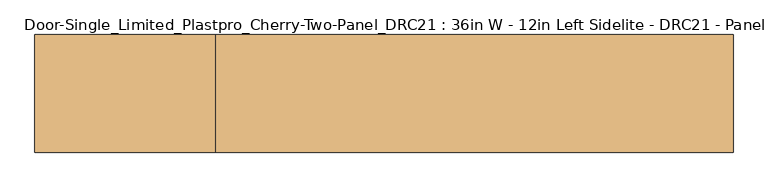
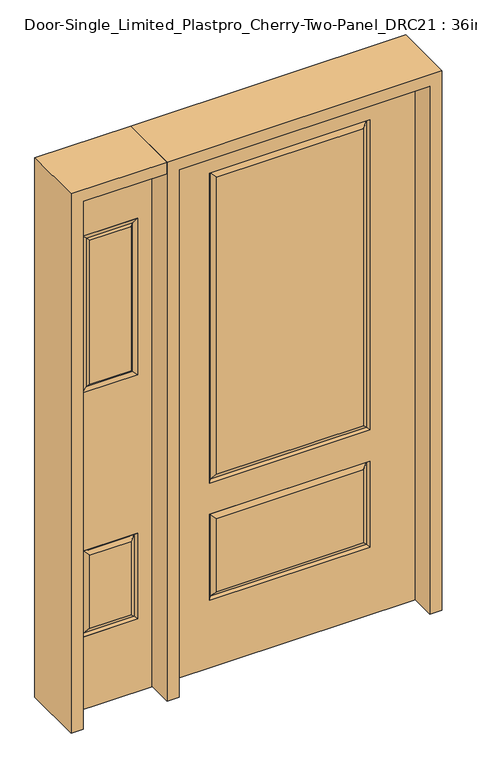
"""IFC4 building model written with IfcOpenShell, lengths in millimetres: door geometry, Door-Single_Limited_Plastpro_Cherry-Two-Panel_DRC21 : 36in W - 12in Left Sidelite - DRC21 - Panel - 80in."""

from ifc_helpers import new_model, si_unit, frame, origin, place, context, project, spatial, polyline, outline, extrude, faceted_brep, source, transform, mapped, element, save


def door_single_limited_plastpro_cherry_two_panel_drc21_36in_w_bb933965(model_context):
    return source(origin(), model_context, "Body", "SolidModel", [
        faceted_brep([(457.2, 22.225, 0.0), (457.2, -22.225, 0.0), (-457.2, -22.225, 0.0), (-457.2, 22.225, 0.0), (457.2, 22.225, 2032.0), (457.2, -22.225, 2032.0), (-267.49375, -22.225, 284.95625), (267.49375, -22.225, 284.95625), (267.49375, -22.225, 565.94375), (-267.49375, -22.225, 565.94375), (-267.49375, -22.225, 735.80625), (267.49375, -22.225, 735.80625), (267.49375, -22.225, 1880.39375), (-267.49375, -22.225, 1880.39375), (-457.2, -22.225, 2032.0), (292.1, -22.225, 711.2), (-292.1, -22.225, 711.2), (-292.1, -22.225, 1905.0), (292.1, -22.225, 1905.0), (292.1, -22.225, 260.35), (-292.1, -22.225, 260.35), (-292.1, -22.225, 590.55), (292.1, -22.225, 590.55), (-457.2, 22.225, 2032.0), (267.49375, 22.225, 284.95625), (-267.49375, 22.225, 284.95625), (-267.49375, 22.225, 565.94375), (267.49375, 22.225, 565.94375), (267.49375, 22.225, 735.80625), (-267.49375, 22.225, 735.80625), (-267.49375, 22.225, 1880.39375), (267.49375, 22.225, 1880.39375), (-292.1, 22.225, 711.2), (292.1, 22.225, 711.2), (292.1, 22.225, 1905.0), (-292.1, 22.225, 1905.0), (-292.1, 22.225, 260.35), (292.1, 22.225, 260.35), (292.1, 22.225, 590.55), (-292.1, 22.225, 590.55), (-284.9911499, 12.7912373, 267.4588501), (284.9911499, 12.7912373, 267.4588501), (284.9911499, 12.7912373, 583.4411499), (-284.9911499, 12.7912373, 583.4411499), (-284.9911499, 12.7912373, 718.3088501), (284.9911499, 12.7912373, 718.3088501), (284.9911499, 12.7912373, 1897.8911499), (-284.9911499, 12.7912373, 1897.8911499), (284.9911499, -12.7912373, 267.4588501), (-284.9911499, -12.7912373, 267.4588501), (-284.9911499, -12.7912373, 583.4411499), (284.9911499, -12.7912373, 583.4411499), (284.9911499, -12.7912373, 718.3088501), (-284.9911499, -12.7912373, 718.3088501), (-284.9911499, -12.7912373, 1897.8911499), (284.9911499, -12.7912373, 1897.8911499)], [[[0, 1, 2, 3]], [[4, 5, 1, 0]], [[6, 7, 8, 9]], [[10, 11, 12, 13]], [[5, 14, 2, 1], [15, 16, 17, 18], [19, 20, 21, 22]], [[14, 23, 3, 2]], [[24, 25, 26, 27]], [[28, 29, 30, 31]], [[23, 4, 0, 3], [32, 33, 34, 35], [36, 37, 38, 39]], [[36, 40, 41, 37]], [[37, 41, 42, 38]], [[43, 39, 38, 42]], [[40, 36, 39, 43]], [[41, 40, 25, 24]], [[25, 40, 43, 26]], [[26, 43, 42, 27]], [[41, 24, 27, 42]], [[32, 44, 45, 33]], [[33, 45, 46, 34]], [[44, 32, 35, 47]], [[45, 44, 29, 28]], [[29, 44, 47, 30]], [[45, 28, 31, 46]], [[48, 49, 20, 19]], [[20, 49, 50, 21]], [[21, 50, 51, 22]], [[48, 19, 22, 51]], [[49, 48, 7, 6]], [[7, 48, 51, 8]], [[50, 9, 8, 51]], [[49, 6, 9, 50]], [[52, 53, 16, 15]], [[16, 53, 54, 17]], [[52, 15, 18, 55]], [[53, 52, 11, 10]], [[11, 52, 55, 12]], [[53, 10, 13, 54]], [[4, 23, 14, 5]], [[17, 54, 55, 18]], [[54, 13, 12, 55]], [[47, 35, 34, 46]], [[30, 47, 46, 31]]]),
        faceted_brep([(-553.72, 20.6375, 1822.45), (-553.72, -20.6375, 1822.45), (-553.72, -20.6375, 1219.2), (-553.72, 20.6375, 1219.2), (-579.12, -12.7, 1797.05), (-579.12, -12.7, 1244.6), (-754.38, -20.6375, 1219.2), (-754.38, 20.6375, 1219.2), (-579.12, 12.7, 1797.05), (-579.12, 12.7, 1244.6), (-728.98, 12.7, 1244.6), (-728.98, -12.7, 1244.6), (-754.38, -20.6375, 1822.45), (-754.38, 20.6375, 1822.45), (-728.98, 12.7, 1797.05), (-728.98, -12.7, 1797.05)], [[[0, 1, 2, 3]], [[1, 4, 5, 2]], [[3, 2, 6, 7]], [[8, 0, 3, 9]], [[9, 3, 7, 10]], [[4, 8, 9, 5]], [[5, 9, 10, 11]], [[2, 5, 11, 6]], [[7, 6, 12, 13]], [[10, 7, 13, 14]], [[11, 10, 14, 15]], [[6, 11, 15, 12]], [[13, 12, 1, 0]], [[14, 13, 0, 8]], [[15, 14, 8, 4]], [[12, 15, 4, 1]]]),
        extrude(outline(polyline([(-579.12, -12.7), (-728.98, -12.7), (-728.98, 12.7), (-579.12, 12.7), (-579.12, -12.7)])), frame((0.0, 0.0, 1244.6), z_axis=(0.0, 0.0, 1.0), x_axis=(1.0, 0.0, 0.0)), (0.0, 0.0, 1.0), 552.45),
        faceted_brep([(-729.77375, -20.6375, 304.00625), (-578.32625, -20.6375, 304.00625), (-578.32625, -20.6375, 584.99375), (-729.77375, -20.6375, 584.99375), (-578.32625, 20.6375, 304.00625), (-729.77375, 20.6375, 304.00625), (-729.77375, 20.6375, 584.99375), (-578.32625, 20.6375, 584.99375), (-553.72, -20.6375, 279.4), (-553.72, 20.6375, 279.4), (-553.72, 20.6375, 609.6), (-553.72, -20.6375, 609.6), (-754.38, -20.6375, 279.4), (-754.38, 20.6375, 279.4), (-754.38, -20.6375, 609.6), (-754.38, 20.6375, 609.6), (-747.2711499, 11.2037373, 286.5088501), (-560.8288501, 11.2037373, 286.5088501), (-747.2711499, 11.2037373, 602.4911499), (-560.8288501, 11.2037373, 602.4911499), (-560.8288501, -11.2037373, 286.5088501), (-747.2711499, -11.2037373, 286.5088501), (-747.2711499, -11.2037373, 602.4911499), (-560.8288501, -11.2037373, 602.4911499)], [[[0, 1, 2, 3]], [[4, 5, 6, 7]], [[8, 9, 10, 11]], [[9, 8, 12, 13]], [[13, 12, 14, 15]], [[11, 10, 15, 14]], [[13, 16, 17, 9]], [[17, 16, 5, 4]], [[16, 13, 15, 18]], [[5, 16, 18, 6]], [[18, 15, 10, 19]], [[6, 18, 19, 7]], [[9, 17, 19, 10]], [[17, 4, 7, 19]], [[20, 21, 12, 8]], [[21, 20, 1, 0]], [[12, 21, 22, 14]], [[21, 0, 3, 22]], [[14, 22, 23, 11]], [[22, 3, 2, 23]], [[20, 8, 11, 23]], [[1, 20, 23, 2]]]),
        extrude(outline(polyline([(0.0, -806.45), (0.0, -501.65), (2032.0, -501.65), (2032.0, -806.45), (0.0, -806.45)]), holes=[polyline([(1822.45, -553.72), (1219.2, -553.72), (1219.2, -754.38), (1822.45, -754.38), (1822.45, -553.72)]), polyline([(279.4, -553.72), (279.4, -754.38), (609.6, -754.38), (609.6, -553.72), (279.4, -553.72)])]), frame((0.0, -20.6375, 0.0), z_axis=(0.0, 1.0, 0.0), x_axis=(0.0, 0.0, 1.0)), (0.0, 0.0, 1.0), 41.275),
        faceted_brep([(-729.77375, -20.6375, 1243.80625), (-578.32625, -20.6375, 1243.80625), (-578.32625, -20.6375, 1797.84375), (-729.77375, -20.6375, 1797.84375), (-747.2711499, -11.2037373, 1226.3088501), (-560.8288501, -11.2037373, 1226.3088501), (-560.8288501, -11.2037373, 1815.3411499), (-747.2711499, -11.2037373, 1815.3411499), (-578.32625, 20.6375, 1243.80625), (-729.77375, 20.6375, 1243.80625), (-729.77375, 20.6375, 1797.84375), (-578.32625, 20.6375, 1797.84375), (-560.8288501, 11.2037373, 1226.3088501), (-747.2711499, 11.2037373, 1226.3088501), (-747.2711499, 11.2037373, 1815.3411499), (-560.8288501, 11.2037373, 1815.3411499), (-553.72, -20.6375, 1219.2), (-553.72, 20.6375, 1219.2), (-553.72, 20.6375, 1822.45), (-553.72, -20.6375, 1822.45), (-754.38, -20.6375, 1219.2), (-754.38, 20.6375, 1219.2), (-754.38, -20.6375, 1822.45), (-754.38, 20.6375, 1822.45)], [[[0, 1, 2, 3]], [[4, 5, 1, 0]], [[1, 5, 6, 2]], [[4, 0, 3, 7]], [[8, 9, 10, 11]], [[12, 13, 9, 8]], [[9, 13, 14, 10]], [[12, 8, 11, 15]], [[16, 17, 18, 19]], [[17, 16, 20, 21]], [[17, 12, 15, 18]], [[5, 16, 19, 6]], [[5, 4, 20, 16]], [[21, 20, 22, 23]], [[21, 13, 12, 17]], [[20, 4, 7, 22]], [[13, 21, 23, 14]], [[19, 18, 23, 22]], [[14, 23, 18, 15]], [[10, 14, 15, 11]], [[22, 7, 6, 19]], [[7, 3, 2, 6]]]),
        extrude(outline(polyline([(-577.85, -12.7), (-730.25, -12.7), (-730.25, 12.7), (-577.85, 12.7), (-577.85, -12.7)])), frame((0.0, 0.0, 292.1), z_axis=(0.0, 0.0, 1.0), x_axis=(1.0, 0.0, 0.0)), (0.0, 0.0, 1.0), 1600.2),
        extrude(outline(polyline([(2032.0, -501.65), (2076.45, -501.65), (2076.45, -850.9), (0.0, -850.9), (0.0, -806.45), (2032.0, -806.45), (2032.0, -501.65)])), frame((0.0, -114.3, 0.0), z_axis=(0.0, 1.0, 0.0), x_axis=(0.0, 0.0, 1.0)), (0.0, 0.0, 1.0), 228.6),
        extrude(outline(polyline([(2076.45, -501.65), (0.0, -501.65), (0.0, -457.2), (2032.0, -457.2), (2032.0, 457.2), (0.0, 457.2), (0.0, 501.65), (2076.45, 501.65), (2076.45, -501.65)])), frame((0.0, -114.3, 0.0), z_axis=(0.0, 1.0, 0.0), x_axis=(0.0, 0.0, 1.0)), (0.0, 0.0, 1.0), 228.6),
    ])


if __name__ == "__main__":
    model = new_model("IFC4")
    model_context = context("Model", 3, world=origin())
    ifc_project = project(units=[si_unit("LENGTHUNIT", "METRE", prefix="MILLI")], contexts=[model_context])
    site = spatial("IfcSite", under=ifc_project)
    building = spatial("IfcBuilding", under=site)
    placement = place(None, origin())
    door_single_limited_plastpro_cherry_two_panel_drc21_36in_w_shape = door_single_limited_plastpro_cherry_two_panel_drc21_36in_w_bb933965(model_context)
    element("IfcDoor", 1, ObjectType="Door-Single_Limited_Plastpro_Cherry-Two-Panel_DRC21 : 36in W - 12in Left Sidelite - DRC21 - Panel - 80in", at=placement, inside=building, context=model_context, shape_type="MappedRepresentation", body=[
        mapped(door_single_limited_plastpro_cherry_two_panel_drc21_36in_w_shape, transform((0.0, 0.0, 0.0), x_axis=(1.0, 0.0, 0.0), y_axis=(0.0, 1.0, 0.0), z_axis=(0.0, 0.0, 1.0))),
    ])
    save(model, "model.ifc")
